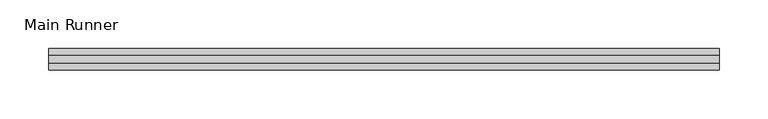
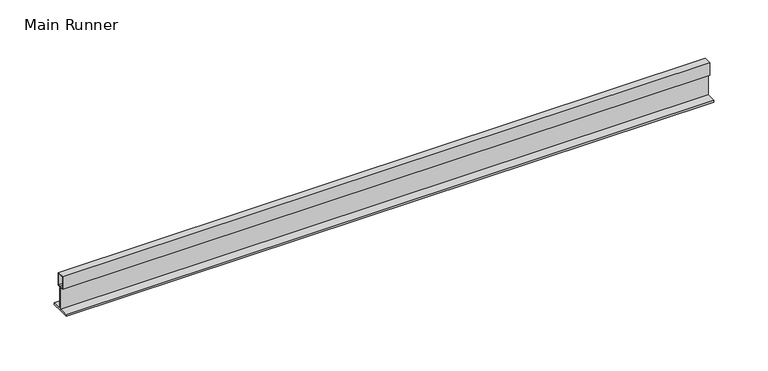
"""IFC4 building model written with IfcOpenShell, lengths in millimetres: beam geometry, Main Runner."""

from ifc_helpers import new_model, si_unit, frame, origin, place, context, project, spatial, polyline, outline, extrude, source, transform, mapped, element, save


def main_runner_593585e2(model_context):
    return source(origin(), model_context, "Body", "SweptSolid", [
        extrude(outline(polyline([(11.0, -2.0), (0.0, -2.0), (-11.0, -2.0), (-11.0, 0.0), (-1.0, 0.0), (-1.0, 24.0), (-4.0, 24.0), (-4.0, 38.1243468), (4.0, 38.1243468), (4.0, 24.0), (1.0, 24.0), (1.0, 0.0), (11.0, 0.0), (11.0, -2.0)]), holes=[polyline([(3.0, 37.1243468), (-3.0169966, 37.1243468), (-3.0169966, 25.0), (0.0, 25.0), (3.0, 25.0), (3.0, 37.1243468)])]), frame((-333.1368221, 0.0, 0.0), z_axis=(1.0, 0.0, 0.0), x_axis=(0.0, 1.0, 0.0)), (0.0, 0.0, 1.0), 686.6368215),
    ])


if __name__ == "__main__":
    model = new_model("IFC4")
    model_context = context("Model", 3, world=origin())
    ifc_project = project(units=[si_unit("LENGTHUNIT", "METRE", prefix="MILLI")], contexts=[model_context])
    site = spatial("IfcSite", under=ifc_project)
    building = spatial("IfcBuilding", under=site)
    placement = place(None, origin())
    main_runner_shape = main_runner_593585e2(model_context)
    element("IfcBeam", 1, ObjectType="Main Runner", at=placement, inside=building, context=model_context, shape_type="MappedRepresentation", body=[
        mapped(main_runner_shape, transform((0.0, 0.0, 0.0), x_axis=(1.0, 0.0, 0.0), y_axis=(0.0, 1.0, 0.0), z_axis=(0.0, 0.0, 1.0))),
    ])
    save(model, "model.ifc")
